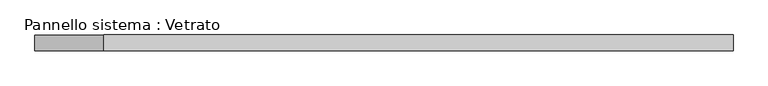
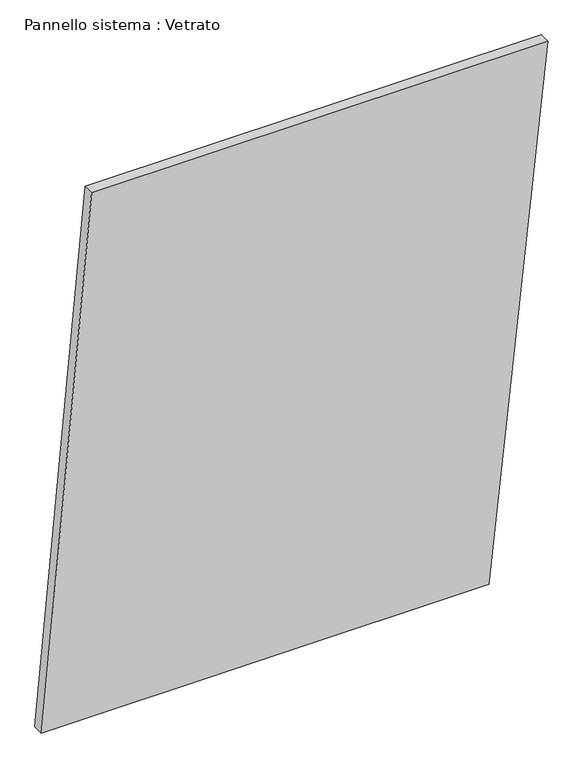
"""IFC4 building model written with IfcOpenShell, lengths in millimetres: plate geometry, Pannello sistema : Vetrato."""

from ifc_helpers import new_model, si_unit, frame, origin, place, context, project, spatial, polyline, outline, extrude, source, transform, mapped, element, save


def pannello_sistema_vetrato_e3e1f624(model_context):
    return source(origin(), model_context, "Body", "SweptSolid", [
        extrude(outline(polyline([(0.0, -666.5573043), (1.0891611, 510.8819806), (1455.9537598, 666.5573043), (1455.9537598, -534.8307957), (0.0, -666.5573043)])), frame((0.0, -15.0, 0.0), z_axis=(0.0, 1.0, 0.0), x_axis=(0.0, 0.0, 1.0)), (0.0, 0.0, 1.0), 30.0),
    ])


if __name__ == "__main__":
    model = new_model("IFC4")
    model_context = context("Model", 3, world=origin())
    ifc_project = project(units=[si_unit("LENGTHUNIT", "METRE", prefix="MILLI")], contexts=[model_context])
    site = spatial("IfcSite", under=ifc_project)
    building = spatial("IfcBuilding", under=site)
    placement = place(None, origin())
    pannello_sistema_vetrato_shape = pannello_sistema_vetrato_e3e1f624(model_context)
    element("IfcPlate", 1, ObjectType="Pannello sistema : Vetrato", at=placement, inside=building, context=model_context, shape_type="MappedRepresentation", body=[
        mapped(pannello_sistema_vetrato_shape, transform((0.0, 0.0, 0.0), x_axis=(1.0, 0.0, 0.0), y_axis=(0.0, 1.0, 0.0), z_axis=(0.0, 0.0, 1.0))),
    ])
    save(model, "model.ifc")
